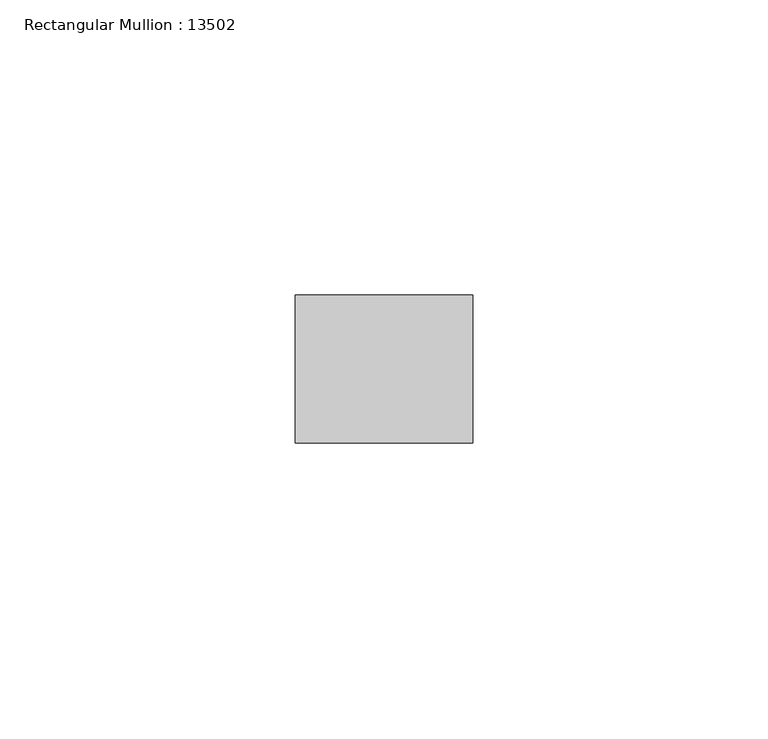
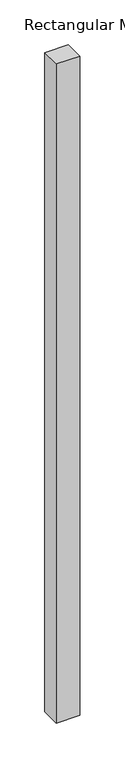
"""IFC4 building model written with IfcOpenShell, lengths in millimetres: member geometry, Rectangular Mullion : 13502."""

from ifc_helpers import new_model, si_unit, frame, origin, place, context, project, spatial, polyline, outline, extrude, source, transform, mapped, element, save


def rectangular_mullion_13502_6392cf3c(model_context):
    return source(origin(), model_context, "Body", "SweptSolid", [
        extrude(outline(polyline([(0.0, 12.5), (0.0, -12.5), (-29.9999993, -12.5), (-29.9999993, 12.5), (0.0, 12.5)])), frame((0.0, 0.0, -894.0), z_axis=(0.0, 0.0, 1.0), x_axis=(1.0, 0.0, 0.0)), (0.0, 0.0, 1.0), 894.0),
    ])


if __name__ == "__main__":
    model = new_model("IFC4")
    model_context = context("Model", 3, world=origin())
    ifc_project = project(units=[si_unit("LENGTHUNIT", "METRE", prefix="MILLI")], contexts=[model_context])
    site = spatial("IfcSite", under=ifc_project)
    building = spatial("IfcBuilding", under=site)
    placement = place(None, origin())
    rectangular_mullion_13502_shape = rectangular_mullion_13502_6392cf3c(model_context)
    element("IfcMember", 1, ObjectType="Rectangular Mullion : 13502", at=placement, inside=building, context=model_context, shape_type="MappedRepresentation", body=[
        mapped(rectangular_mullion_13502_shape, transform((0.0, 0.0, 0.0), x_axis=(1.0, 0.0, 0.0), y_axis=(0.0, 1.0, 0.0), z_axis=(0.0, 0.0, 1.0))),
    ])
    save(model, "model.ifc")
